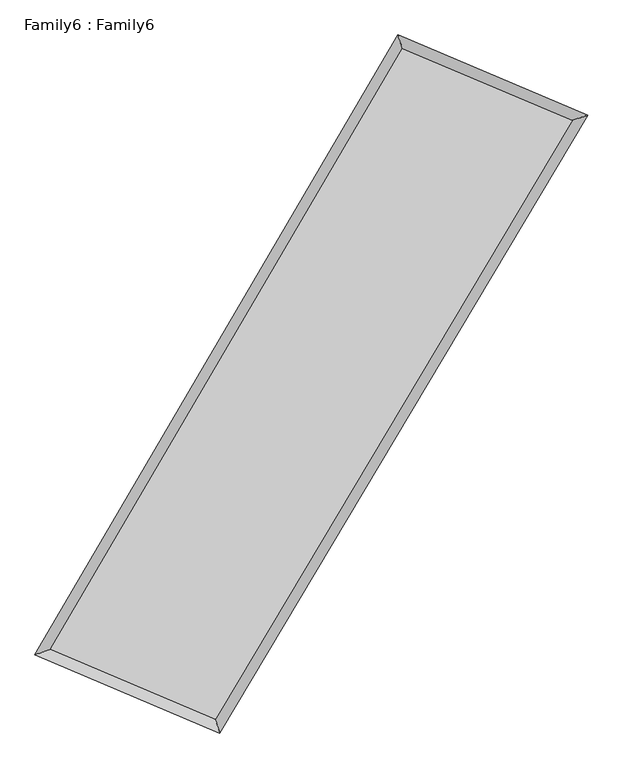
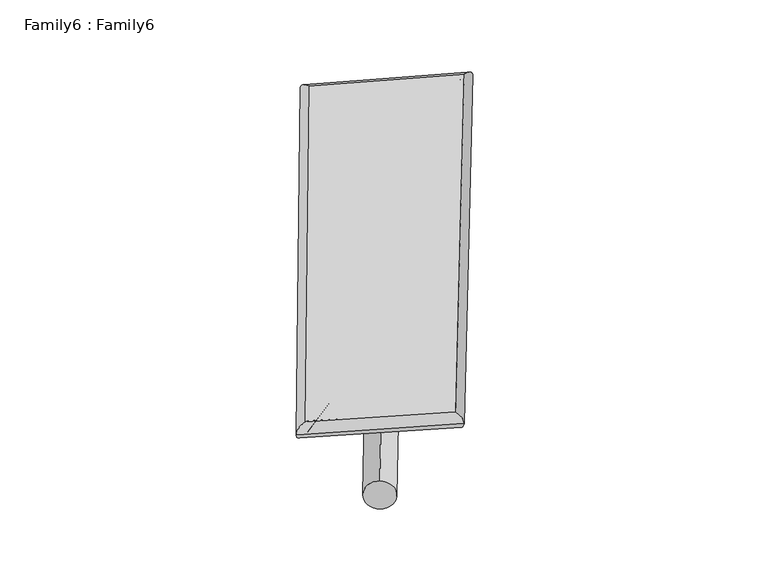
"""IFC4 building model written with IfcOpenShell, lengths in millimetres: plate geometry, Family6 : Family6."""

from ifc_helpers import new_model, si_unit, point, frame, origin, origin_2d, place, context, project, spatial, circle_curve, ellipse_curve, trimmed, segment, composite_curve, outline, extrude, source, transform, mapped, element, save
from ifc_brep_helpers import plane_surface, cylinder_surface, spline_surface, advanced_brep


def family6_family6_f8aa106a(model_context):
    return source(origin(), model_context, "Body", "SolidModel", [
        extrude(outline(composite_curve([segment(trimmed(circle_curve(origin_2d(), 76.2), [point((-75.4341514, -10.7763074))], [point((75.4341514, 10.7763074))], False, "CARTESIAN"), True, "CONTINUOUS"), segment(trimmed(circle_curve(origin_2d(), 76.2), [point((75.4341514, 10.7763074))], [point((-75.4341514, -10.7763074))], False, "CARTESIAN"), True, "CONTINUOUS")], self_intersect=False)), frame((9144.0, 9144.0, 0.0), z_axis=(0.6808199148240324, 0.6836596494174819, 0.2628568571244876), x_axis=(-0.6750479344305761, 0.72493440262841, -0.13704159261626822)), (0.0, 0.0, 1.0), 5820.6194684),
        extrude(outline(composite_curve([segment(trimmed(circle_curve(origin_2d(), 76.2), [point((-53.8815367, 53.8815367))], [point((53.8815367, -53.8815367))], False, "CARTESIAN"), True, "CONTINUOUS"), segment(trimmed(circle_curve(origin_2d(), 76.2), [point((53.8815367, -53.8815367))], [point((-53.8815367, 53.8815367))], False, "CARTESIAN"), True, "CONTINUOUS")], self_intersect=False)), frame((9144.0, 9144.0, 0.0), z_axis=(-0.6762281845471096, -0.6878957626850201, 0.2636567126096257), x_axis=(0.6359070760106347, -0.36436017494140005, 0.6803409833284171)), (0.0, 0.0, 1.0), 5802.888287),
        extrude(outline(composite_curve([segment(trimmed(circle_curve(origin_2d(), 76.2), [point((-53.8815367, -53.8815367))], [point((53.8815367, 53.8815367))], False, "CARTESIAN"), True, "CONTINUOUS"), segment(trimmed(circle_curve(origin_2d(), 76.2), [point((53.8815367, 53.8815367))], [point((-53.8815367, -53.8815367))], False, "CARTESIAN"), True, "CONTINUOUS")], self_intersect=False)), frame((9144.0, 9144.0, 0.0), z_axis=(0.2536858552388391, 0.9266827939206005, 0.27731297536041993), x_axis=(-0.8443072374070388, 0.3520338792231049, -0.40400177814116933)), (0.0, 0.0, 1.0), 5466.9082678),
        extrude(outline(composite_curve([segment(trimmed(circle_curve(origin_2d(), 76.2), [point((-75.4341514, 10.7763074))], [point((75.4341514, -10.7763074))], False, "CARTESIAN"), True, "CONTINUOUS"), segment(trimmed(circle_curve(origin_2d(), 76.2), [point((75.4341514, -10.7763074))], [point((-75.4341514, 10.7763074))], False, "CARTESIAN"), True, "CONTINUOUS")], self_intersect=False)), frame((9144.0, 9144.0, 0.0), z_axis=(-0.2606523455681908, -0.9247062025364932, 0.2774505248514385), x_axis=(0.8821832834337332, -0.11138390683115851, 0.4575437462463076)), (0.0, 0.0, 1.0), 5463.030306),
        advanced_brep(
        [(5000.7065328, 5079.6362161, 1529.0183806), (5000.7007849, 5079.6270448, 1531.3407849), (5439.1402443, 5224.7992559, 1530.9225182), (10594.7524012, 14017.7348105, 1517.4039882), (10467.0021976, 14402.4448449, 1514.6852073), (5439.1459922, 5224.8084272, 1528.6001139), (12886.1953677, 13050.9856497, 1529.8090875), (13327.3919336, 13195.6596806, 1530.1703925), (7657.21826, 4284.4675371, 1515.9578902), (7782.8784136, 3900.1364458, 1515.4833612)],
        [
            (0, 1, ellipse_curve(frame((5219.9233885, 5152.217736, 1529.9704494), z_axis=(-0.31432463014846024, 0.9493109082356398, 0.0029709235699139354), x_axis=(-0.9493019280361892, -0.31433534780408917, 0.004374762582827129)), 230.9328999, 152.4)),
            (1, 2, ellipse_curve(frame((5219.9233885, 5152.217736, 1529.9704494), z_axis=(-0.31432463014846024, 0.9493109082356398, 0.0029709235699139354), x_axis=(-0.9493019280361892, -0.31433534780408917, 0.004374762582827129)), 230.9328999, 152.4)),
            (2, 3),
            (3, 4, ellipse_curve(frame((10530.8772994, 14210.0898277, 1516.0445978), z_axis=(-0.9490347488911051, -0.315162048158224, -0.002434912300345833), x_axis=(0.3151483032117047, -0.9490303557257482, 0.004788621288311817)), 202.6880496, 152.4)),
            (4, 0),
            (2, 5, ellipse_curve(frame((5219.9233885, 5152.217736, 1529.9704494), z_axis=(-0.31432463014846024, 0.9493109082356398, 0.0029709235699139354), x_axis=(-0.9493019280361892, -0.31433534780408917, 0.004374762582827129)), 230.9328999, 152.4)),
            (5, 0, ellipse_curve(frame((5219.9233885, 5152.217736, 1529.9704494), z_axis=(-0.31432463014846024, 0.9493109082356398, 0.0029709235699139354), x_axis=(-0.9493019280361892, -0.31433534780408917, 0.004374762582827129)), 230.9328999, 152.4)),
            (4, 3, ellipse_curve(frame((10530.8772994, 14210.0898277, 1516.0445978), z_axis=(-0.9490347488911051, -0.315162048158224, -0.002434912300345833), x_axis=(0.3151483032117047, -0.9490303557257482, 0.004788621288311817)), 202.6880496, 152.4)),
            (3, 6),
            (6, 7, ellipse_curve(frame((13106.7936507, 13123.3226651, 1529.98974), z_axis=(-0.3115851963601031, 0.9502141953880962, -0.0027655545897716646), x_axis=(-0.9502058028423632, -0.31159468391406697, -0.004205377651607941)), 232.1575217, 152.4)),
            (7, 4),
            (7, 6, ellipse_curve(frame((13106.7936507, 13123.3226651, 1529.98974), z_axis=(-0.3115851963601031, 0.9502141953880962, -0.0027655545897716646), x_axis=(-0.9502058028423632, -0.31159468391406697, -0.004205377651607941)), 232.1575217, 152.4)),
            (6, 8),
            (8, 9, ellipse_curve(frame((7720.0483368, 4092.3019914, 1515.7206257), z_axis=(0.9504813936359783, 0.31077075264696485, -0.002580629971090585), x_axis=(-0.3107555368124935, 0.9504765868775682, 0.005025349534862745)), 202.1774781, 152.4)),
            (9, 7),
            (9, 8, ellipse_curve(frame((7720.0483368, 4092.3019914, 1515.7206257), z_axis=(0.9504813936359783, 0.31077075264696485, -0.002580629971090585), x_axis=(-0.3107555368124935, 0.9504765868775682, 0.005025349534862745)), 202.1774781, 152.4)),
            (8, 5),
            (1, 9),
        ],
        [
            cylinder_surface(frame((5219.9233885, 5152.217736, 1529.9704494), z_axis=(-0.505801757318863, -0.862648725333969, 0.0013262627297730427), x_axis=(-0.8626287340431497, 0.5057781098888627, -0.007756981395004402)), 152.4),
            cylinder_surface(frame((10530.8772994, 14210.0898277, 1516.0445978), z_axis=(-0.9213459806705108, 0.38871159641992903, -0.004987856349713073), x_axis=(0.38873330805360046, 0.9213391045052168, -0.004546396290457431)), 152.4),
            cylinder_surface(frame((13106.7936507, 13123.3226651, 1529.98974), z_axis=(0.5122652533286989, 0.8588262157764965, 0.0013569550864201297), x_axis=(0.8588272063624324, -0.5122652533286989, -0.00037395692787251834)), 152.4),
            cylinder_surface(frame((7720.0483368, 4092.3019914, 1515.7206257), z_axis=(0.9206674923064003, -0.3903124806995838, -0.005247477525578253), x_axis=(-0.3903014989681793, -0.9206821571289174, 0.0030175234275654733)), 152.4),
        ],
        [
            (0, [[1, 2, 3, 4, 5]]),
            (0, [[6, 7, -5, 8, -3]]),
            (1, [[-4, 9, 10, 11]]),
            (1, [[-8, -11, 12, -9]]),
            (2, [[-10, 13, 14, 15]]),
            (2, [[-12, -15, 16, -13]]),
            (3, [[-14, 17, -6, -2, 18]]),
            (3, [[-16, -18, -1, -7, -17]]),
        ],
    ),
        extrude(outline(composite_curve([segment(trimmed(circle_curve(origin_2d(), 304.8), [point((0.0, 304.8))], [point((0.0, -304.8))], False, "CARTESIAN"), True, "CONTINUOUS"), segment(trimmed(circle_curve(origin_2d(), 304.8), [point((0.0, -304.8))], [point((0.0, 304.8))], False, "CARTESIAN"), True, "CONTINUOUS")], self_intersect=False)), frame((11835.6238863, 13686.881548, -0.0020245), z_axis=(-0.5097387466530239, -0.8603292452081687, 3.834007750352628e-07), x_axis=(-0.8603292452082478, 0.5097387466530239, -1.0505357104699171e-07)), (0.0, 0.0, 1.0), 10560.7976789),
        advanced_brep(
        [(5219.9233885, 5152.217736, 1529.9704494), (7720.0483368, 4092.3019914, 1515.7206257), (7720.0448755, 4092.3010918, 1668.1206256), (5219.9199272, 5152.2168364, 1682.3704494), (13106.7936507, 13123.3226651, 1529.98974), (13106.7901893, 13123.3217655, 1682.3897399), (10530.8772994, 14210.0898277, 1516.0445978), (10530.8738381, 14210.0889281, 1668.4445977)],
        [
            (0, 1),
            (1, 2),
            (2, 3),
            (3, 0),
            (1, 4),
            (4, 5),
            (5, 2),
            (4, 6),
            (6, 7),
            (7, 5),
            (6, 0),
            (3, 7),
        ],
        [
            plane_surface(frame((6469.9858627, 4622.2598637, 1522.8455375), z_axis=(-0.39031792368371304, -0.9206801389444389, -1.4299800779870751e-05), x_axis=(0.9206674923064002, -0.39031248069958413, -0.005247477525578251))),
            plane_surface(frame((10413.4209938, 8607.8123283, 1522.8551828), z_axis=(0.8588269948940005, -0.5122657440915678, 1.6481895347556885e-05), x_axis=(0.5122652533286991, 0.8588262157764964, 0.0013569550864201338))),
            plane_surface(frame((11818.835475, 13666.7062464, 1523.0171689), z_axis=(0.38871636622414746, 0.9213574694036706, 1.4267424250929625e-05), x_axis=(-0.9213459806705105, 0.38871159641992953, -0.004987856349713076))),
            plane_surface(frame((7875.400344, 9681.1537819, 1523.0075236), z_axis=(-0.862649495044188, 0.5058021830955456, -1.6606867442871612e-05), x_axis=(-0.5058017573188635, -0.8626487253339689, 0.001326262729773041))),
            spline_surface(1, 1, [[(7720.0448755, 4092.3010918, 1668.1206256), (5219.9199272, 5152.2168364, 1682.3704494)], [(13106.7901893, 13123.3217655, 1682.3897399), (10530.8738381, 14210.0889281, 1668.4445977)]], [2, 2], [2, 2], [0.0, 1.0], [0.0, 1.0]),
            spline_surface(1, 1, [[(10530.8772994, 14210.0898277, 1516.0445978), (5219.9233885, 5152.217736, 1529.9704494)], [(13106.7936507, 13123.3226651, 1529.98974), (7720.0483368, 4092.3019914, 1515.7206257)]], [2, 2], [2, 2], [0.0, 1.0], [0.0, 1.0]),
        ],
        [
            (0, [[1, 2, 3, 4]]),
            (1, [[5, 6, 7, -2]]),
            (2, [[8, 9, 10, -6]]),
            (3, [[11, -4, 12, -9]]),
            (4, [[-3, -7, -10, -12]]),
            (5, [[-11, -8, -5, -1]]),
        ],
    ),
    ])


if __name__ == "__main__":
    model = new_model("IFC4")
    model_context = context("Model", 3, world=origin())
    ifc_project = project(units=[si_unit("LENGTHUNIT", "METRE", prefix="MILLI")], contexts=[model_context])
    site = spatial("IfcSite", under=ifc_project)
    building = spatial("IfcBuilding", under=site)
    placement = place(None, origin())
    family6_family6_shape = family6_family6_f8aa106a(model_context)
    element("IfcPlate", 1, ObjectType="Family6 : Family6", at=placement, inside=building, context=model_context, shape_type="MappedRepresentation", body=[
        mapped(family6_family6_shape, transform((0.0, 0.0, 0.0), x_axis=(1.0, 0.0, 0.0), y_axis=(0.0, 1.0, 0.0), z_axis=(0.0, 0.0, 1.0))),
    ])
    save(model, "model.ifc")
